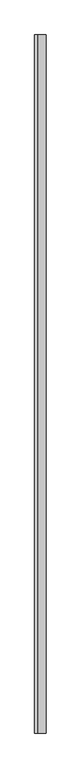
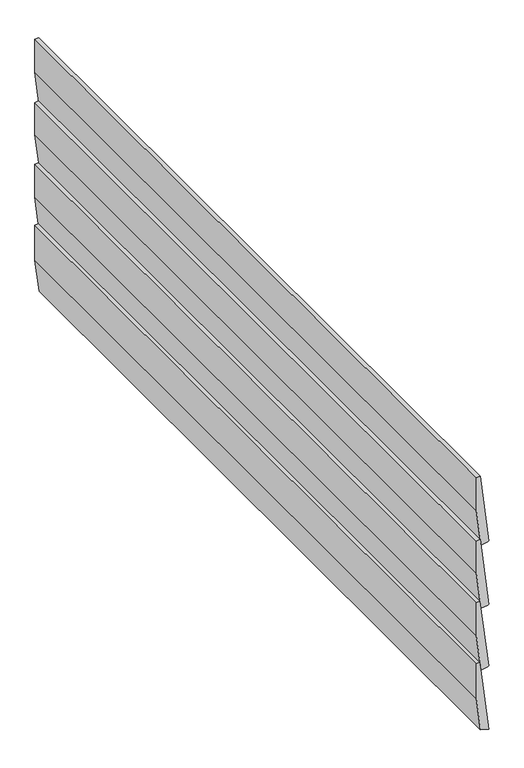
"""IFC4 building model written with IfcOpenShell, lengths in millimetres: proxy geometry."""

from ifc_helpers import new_model, si_unit, frame, origin, place, context, project, spatial, polyline, outline, extrude, source, transform, mapped, element, save


def generic_models_6a70b35c(model_context):
    return source(origin(), model_context, "Body", "SweptSolid", [
        extrude(outline(polyline([(5.7495153, 10.7436757), (0.0, 32.2011588), (192.2781547, 9.1844305), (191.178729, 0.0), (95.5005046, 0.0), (5.7495153, 10.7436757)])), frame((0.0, 0.0, 0.0), z_axis=(0.0, 1.0, 0.0), x_axis=(0.0, 0.0, 1.0)), (0.0, 0.0, 1.0), 2000.0),
        extrude(outline(polyline([(170.1260368, 11.836158), (172.3248882, 30.205019), (174.684072, 32.0597719), (361.2302701, 9.7291896), (360.0656339, 0.0), (269.0034529, 0.0), (170.1260368, 11.836158)])), frame((0.0, 0.0, 0.0), z_axis=(0.0, 1.0, 0.0), x_axis=(0.0, 0.0, 1.0)), (0.0, 0.0, 1.0), 2000.0),
        extrude(outline(polyline([(340.9678401, 12.1547114), (343.1666915, 30.5235723), (345.5258754, 32.3783253), (532.0720735, 10.047743), (530.8693047, 0.0), (442.5064011, 0.0), (340.9678401, 12.1547114)])), frame((0.0, 0.0, 0.0), z_axis=(0.0, 1.0, 0.0), x_axis=(0.0, 0.0, 1.0)), (0.0, 0.0, 1.0), 2000.0),
        extrude(outline(polyline([(515.8898876, 11.9848376), (518.0887389, 30.3536985), (520.4479228, 32.2084515), (706.9941209, 9.8778692), (705.8294846, 0.1486795), (614.7673037, 0.1486795), (515.8898876, 11.9848376)])), frame((0.0, 0.0, 0.0), z_axis=(0.0, 1.0, 0.0), x_axis=(0.0, 0.0, 1.0)), (0.0, 0.0, 1.0), 2000.0),
    ])


if __name__ == "__main__":
    model = new_model("IFC4")
    model_context = context("Model", 3, world=origin())
    ifc_project = project(units=[si_unit("LENGTHUNIT", "METRE", prefix="MILLI")], contexts=[model_context])
    site = spatial("IfcSite", under=ifc_project)
    building = spatial("IfcBuilding", under=site)
    placement = place(None, origin())
    generic_models_shape = generic_models_6a70b35c(model_context)
    element("IfcBuildingElementProxy", 1, Name="Generic Models", at=placement, inside=building, context=model_context, shape_type="MappedRepresentation", body=[
        mapped(generic_models_shape, transform((0.0, 0.0, 0.0), x_axis=(1.0, 0.0, 0.0), y_axis=(0.0, 1.0, 0.0), z_axis=(0.0, 0.0, 1.0))),
    ])
    save(model, "model.ifc")
